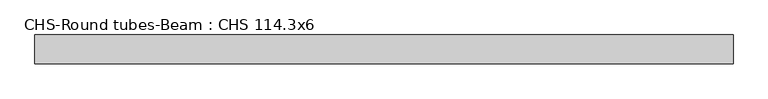
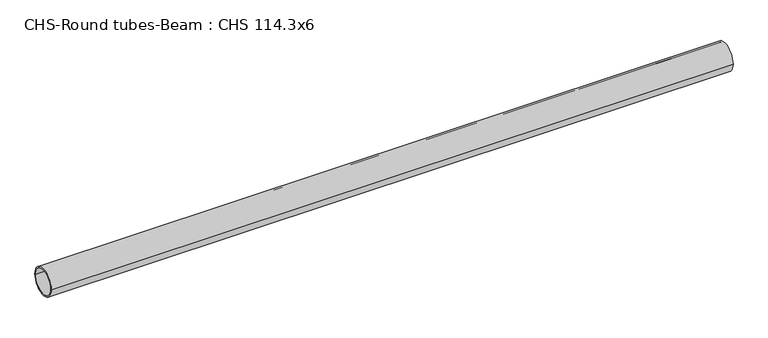
"""IFC4 building model written with IfcOpenShell, lengths in millimetres: beam geometry, CHS-Round tubes-Beam : CHS 114.3x6."""

import ifcopenshell
import ifcopenshell.guid

model = None  # the IFC model being written
_history = None  # IfcOwnerHistory: only IFC2X3 demands one
_inside = {}  # id of a spatial element -> (the spatial element, [elements in it])
_under = {}  # id of a project, library or spatial element -> (it, [spatial elements below it])
_declared = {}  # id of a project -> (the project, [libraries it declares])
_typed = {}  # id of a type object -> (the type object, [elements of that type])
_made_of = {}  # id of a material, layer set ... -> (it, [elements and type objects made of it])


def new_model(schema):
    """Start an empty IFC model of exactly this schema.

    Asked for "IFC4X3", IfcOpenShell would pick the latest addendum, in which some entities
    have other attributes; the version numbers below select the first issue.
    IFC2X3 requires an IfcOwnerHistory on every rooted entity: one is made here for all.
    """
    global model, _history
    if schema == "IFC4X3":
        model = ifcopenshell.file(schema_version=(4, 3, 0, 0))
    else:
        model = ifcopenshell.file(schema=schema)
    _inside.clear()
    _under.clear()
    _declared.clear()
    _typed.clear()
    _made_of.clear()
    _history = None
    if model.schema == "IFC2X3":
        org = make("IfcOrganization", Name="unknown")
        user = make(
            "IfcPersonAndOrganization",
            ThePerson=make("IfcPerson", FamilyName="unknown"),
            TheOrganization=org,
        )
        app = make(
            "IfcApplication",
            ApplicationDeveloper=org,
            Version="unknown",
            ApplicationFullName="unknown",
            ApplicationIdentifier="unknown",
        )
        _history = make(
            "IfcOwnerHistory",
            OwningUser=user,
            OwningApplication=app,
            ChangeAction="ADDED",
            CreationDate=0,
        )
    return model


def make(cls, **values):
    """One entity of the class cls with the attributes given. An attribute that is None is left unset."""
    return model.create_entity(
        cls, **{name: value for name, value in values.items() if value is not None}
    )


def rooted(cls, **values):
    """An entity with a GlobalId (a new one), such as an element, a storey or a relation."""
    return make(cls, GlobalId=ifcopenshell.guid.new(), OwnerHistory=_history, **values)


def si_unit(unit_type, name, prefix=None):
    """IfcSIUnit, for example si_unit("LENGTHUNIT", "METRE", prefix="MILLI")."""
    return make("IfcSIUnit", UnitType=unit_type, Prefix=prefix, Name=name)


def assignment(units):
    """IfcUnitAssignment: the units of a project."""
    return None if units is None else make("IfcUnitAssignment", Units=units)


def point(xyz):
    """IfcCartesianPoint."""
    return None if xyz is None else make("IfcCartesianPoint", Coordinates=xyz)


def direction(xyz):
    """IfcDirection."""
    return None if xyz is None else make("IfcDirection", DirectionRatios=xyz)


def frame(location, z_axis=None, x_axis=None):
    """IfcAxis2Placement3D, a coordinate frame: its origin and axes. An axis left out is left unset."""
    return make(
        "IfcAxis2Placement3D",
        Location=point(location),
        Axis=direction(z_axis),
        RefDirection=direction(x_axis),
    )


def frame_2d(location, x_axis=None):
    """IfcAxis2Placement2D, a coordinate frame in the plane: its origin and x axis."""
    return make(
        "IfcAxis2Placement2D", Location=point(location), RefDirection=direction(x_axis)
    )


def origin():
    """The frame at (0, 0, 0) with its axes left unset."""
    return frame((0.0, 0.0, 0.0))


def origin_2d():
    """The frame at (0, 0) in the plane with its x axis left unset."""
    return frame_2d((0.0, 0.0))


def place(relative_to, where):
    """IfcLocalPlacement: puts the frame where relative to a parent placement (None: the world)."""
    return make(
        "IfcLocalPlacement", PlacementRelTo=relative_to, RelativePlacement=where
    )


def context(
    kind, dimensions, precision=None, world=None, true_north=None, identifier=None
):
    """IfcGeometricRepresentationContext, for example the 3D "Model" context."""
    return make(
        "IfcGeometricRepresentationContext",
        ContextIdentifier=identifier,
        ContextType=kind,
        CoordinateSpaceDimension=dimensions,
        Precision=precision,
        WorldCoordinateSystem=world,
        TrueNorth=true_north,
    )


def project(units=None, contexts=None):
    """IfcProject with its units and contexts."""
    return rooted(
        "IfcProject",
        Name="project",
        RepresentationContexts=contexts,
        UnitsInContext=assignment(units),
    )


def spatial(cls, under=None, at=None, **own):
    """A site, building, storey or space (cls), placed at a placement, below another one or the project."""
    s = rooted(cls, ObjectPlacement=at, **own)
    if under is not None:
        _under.setdefault(under.id(), (under, []))[1].append(s)
    return s


def circle_curve(where, radius):
    """IfcCircle in the frame where."""
    return make("IfcCircle", Position=where, Radius=radius)


def trimmed(basis, trim1, trim2, sense, master):
    """IfcTrimmedCurve: the piece of a basis curve between two trims."""
    return make(
        "IfcTrimmedCurve",
        BasisCurve=basis,
        Trim1=trim1,
        Trim2=trim2,
        SenseAgreement=sense,
        MasterRepresentation=master,
    )


def segment(curve, same_sense, transition):
    """IfcCompositeCurveSegment."""
    return make(
        "IfcCompositeCurveSegment",
        Transition=transition,
        SameSense=same_sense,
        ParentCurve=curve,
    )


def composite_curve(segments, self_intersect=None):
    """IfcCompositeCurve: segments joined end to end."""
    return make("IfcCompositeCurve", Segments=segments, SelfIntersect=self_intersect)


def outline(outer, holes=None, kind="AREA"):
    """IfcArbitraryClosedProfileDef: a profile drawn as a closed curve; with holes, ...WithVoids."""
    if holes is None:
        return make("IfcArbitraryClosedProfileDef", ProfileType=kind, OuterCurve=outer)
    return make(
        "IfcArbitraryProfileDefWithVoids",
        ProfileType=kind,
        OuterCurve=outer,
        InnerCurves=holes,
    )


def extrude(swept, where, along, depth):
    """IfcExtrudedAreaSolid: the profile swept, set in the frame where, extruded along a direction by depth."""
    return make(
        "IfcExtrudedAreaSolid",
        SweptArea=swept,
        Position=where,
        ExtrudedDirection=direction(along),
        Depth=depth,
    )


def shape(context_of_items, identifier, shape_type, items):
    """IfcShapeRepresentation: the items that make up one representation, for example the "Body"."""
    return make(
        "IfcShapeRepresentation",
        ContextOfItems=context_of_items,
        RepresentationIdentifier=identifier,
        RepresentationType=shape_type,
        Items=items,
    )


def source(mapping_origin, context_of_items, identifier, shape_type, items):
    """IfcRepresentationMap: a shape defined once, which mapped items show again and again."""
    return make(
        "IfcRepresentationMap",
        MappingOrigin=mapping_origin,
        MappedRepresentation=shape(context_of_items, identifier, shape_type, items),
    )


def transform(
    local_origin,
    x_axis=None,
    y_axis=None,
    z_axis=None,
    scale=None,
    scale2=None,
    scale3=None,
    uniform=True,
):
    """IfcCartesianTransformationOperator3D, or its non-uniform kind. x_axis, y_axis, z_axis: its Axis1, 2, 3."""
    if uniform:
        return make(
            "IfcCartesianTransformationOperator3D",
            Axis1=direction(x_axis),
            Axis2=direction(y_axis),
            LocalOrigin=point(local_origin),
            Scale=scale,
            Axis3=direction(z_axis),
        )
    return make(
        "IfcCartesianTransformationOperator3DnonUniform",
        Axis1=direction(x_axis),
        Axis2=direction(y_axis),
        LocalOrigin=point(local_origin),
        Scale=scale,
        Axis3=direction(z_axis),
        Scale2=scale2,
        Scale3=scale3,
    )


def mapped(mapping_source, mapping_target):
    """IfcMappedItem: shows the shape of a source again, moved by a transform."""
    return make(
        "IfcMappedItem", MappingSource=mapping_source, MappingTarget=mapping_target
    )


def made_of(thing, what):
    """Note that an element or type object is made of a material, layer set ...; save() writes the relation."""
    if what is not None:
        _made_of.setdefault(what.id(), (what, []))[1].append(thing)
    return thing


def element(
    cls,
    number,
    at=None,
    inside=None,
    cuts=None,
    type_object=None,
    material=None,
    context=None,
    identifier="Body",
    shape_type=None,
    held_by="IfcProductDefinitionShape",
    body=None,
    shapes=None,
    **own,
):
    """One element of the class cls, such as IfcWall. Its Tag is "e" and its number.

    at: its placement. inside: the storey or other place that contains it. cuts: it is an
    opening in that element (IfcRelVoidsElement). A single representation is given by context,
    identifier, shape_type and body (its items); several are given by shapes. held_by: the class
    of the entity that holds the representations. save() writes the other relations.
    """
    e = rooted(cls, Tag="e%d" % number, ObjectPlacement=at, **own)
    if body is not None:
        shapes = [shape(context, identifier, shape_type, body)]
    if shapes is not None:
        e.Representation = make(held_by, Representations=shapes)
    if inside is not None:
        _inside.setdefault(inside.id(), (inside, []))[1].append(e)
    if cuts is not None:
        rooted(
            "IfcRelVoidsElement", RelatingBuildingElement=cuts, RelatedOpeningElement=e
        )
    if type_object is not None:
        _typed.setdefault(type_object.id(), (type_object, []))[1].append(e)
    return made_of(e, material)


def aggregate(whole, parts):
    """IfcRelAggregates: a whole, such as a stair, and the parts it consists of."""
    return rooted("IfcRelAggregates", RelatingObject=whole, RelatedObjects=parts)


def save(model, path):
    """Write the relations noted so far, then the file.

    IfcRelAggregates (storeys below a building ...), IfcRelContainedInSpatialStructure (elements
    in a storey), IfcRelDefinesByType, IfcRelAssociatesMaterial and IfcRelDeclares: one each for
    every whole, place, type object, material and project.
    """
    for whole, parts in _under.values():
        aggregate(whole, parts)
    for where, things in _inside.values():
        rooted(
            "IfcRelContainedInSpatialStructure",
            RelatedElements=things,
            RelatingStructure=where,
        )
    for kind, things in _typed.values():
        rooted("IfcRelDefinesByType", RelatedObjects=things, RelatingType=kind)
    for what, things in _made_of.values():
        rooted("IfcRelAssociatesMaterial", RelatedObjects=things, RelatingMaterial=what)
    for by, libraries in _declared.values():
        rooted("IfcRelDeclares", RelatingContext=by, RelatedDefinitions=libraries)
    model.write(path)


def chs_round_tubes_beam_chs_114_3x6_2a068a29(model_context):
    return source(origin(), model_context, "Body", "SweptSolid", [
        extrude(outline(composite_curve([segment(trimmed(circle_curve(origin_2d(), 57.15), [point((57.15, 0.0))], [point((-57.15, 0.0))], False, "CARTESIAN"), True, "CONTINUOUS"), segment(trimmed(circle_curve(origin_2d(), 57.15), [point((-57.15, 0.0))], [point((57.15, 0.0))], False, "CARTESIAN"), True, "CONTINUOUS")], self_intersect=False), holes=[composite_curve([segment(trimmed(circle_curve(origin_2d(), 51.15), [point((51.15, 0.0))], [point((-51.15, 0.0))], True, "CARTESIAN"), True, "CONTINUOUS"), segment(trimmed(circle_curve(origin_2d(), 51.15), [point((-51.15, 0.0))], [point((51.15, 0.0))], True, "CARTESIAN"), True, "CONTINUOUS")], self_intersect=False)]), frame((-1338.8935256, 0.0, 0.0), z_axis=(1.0, 0.0, 0.0), x_axis=(0.0, 1.0, 0.0)), (0.0, 0.0, 1.0), 2763.3068585),
    ])


if __name__ == "__main__":
    model = new_model("IFC4")
    model_context = context("Model", 3, world=origin())
    ifc_project = project(units=[si_unit("LENGTHUNIT", "METRE", prefix="MILLI")], contexts=[model_context])
    site = spatial("IfcSite", under=ifc_project)
    building = spatial("IfcBuilding", under=site)
    placement = place(None, origin())
    chs_round_tubes_beam_chs_114_3x6_shape = chs_round_tubes_beam_chs_114_3x6_2a068a29(model_context)
    element("IfcBeam", 1, ObjectType="CHS-Round tubes-Beam : CHS 114.3x6", at=placement, inside=building, context=model_context, shape_type="MappedRepresentation", body=[
        mapped(chs_round_tubes_beam_chs_114_3x6_shape, transform((0.0, 0.0, 0.0), x_axis=(1.0, 0.0, 0.0), y_axis=(0.0, 1.0, 0.0), z_axis=(0.0, 0.0, 1.0))),
    ])
    save(model, "model.ifc")
